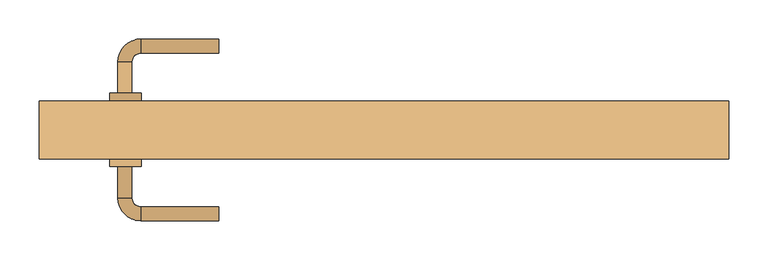
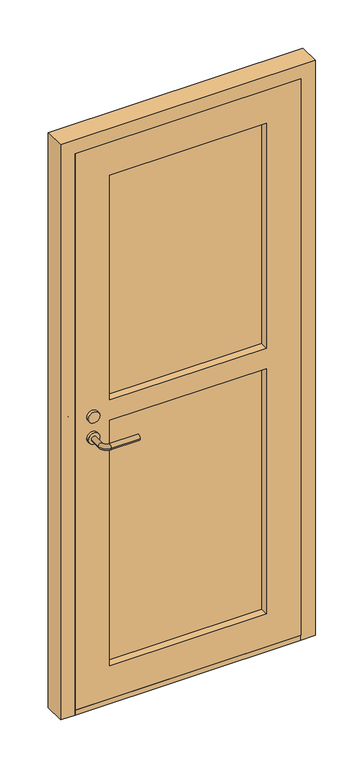
"""IFC4 building model written with IfcOpenShell, lengths in millimetres: door geometry."""

from ifc_helpers import new_model, si_unit, point, frame, frame_2d, origin, origin_with_axes, place, context, project, spatial, polyline, circle_curve, ellipse_curve, trimmed, segment, composite_curve, outline, extrude, source, transform, mapped, element, save
from ifc_brep_helpers import plane_surface, cylinder_surface, revolved_surface, advanced_brep


def door_2b3d7d31(model_context):
    return source(origin(), model_context, "Body", "SolidModel", [
        extrude(outline(composite_curve([segment(trimmed(circle_curve(frame_2d((1069.9136899, -329.67685)), 20.0), [point((1069.9136899, -349.67685))], [point((1069.9136899, -309.67685))], False, "CARTESIAN"), True, "CONTINUOUS"), segment(trimmed(circle_curve(frame_2d((1069.9136899, -329.67685)), 20.0), [point((1069.9136899, -309.67685))], [point((1069.9136899, -349.67685))], False, "CARTESIAN"), True, "CONTINUOUS")], self_intersect=False)), frame((0.0, -38.4, 0.0), z_axis=(0.0, 1.0, 0.0), x_axis=(0.0, 0.0, 1.0)), (0.0, 0.0, 1.0), 9.8708889),
        extrude(outline(composite_curve([segment(trimmed(circle_curve(frame_2d((992.4136899, -329.67685)), 20.0), [point((992.4136899, -349.67685))], [point((992.4136899, -309.67685))], False, "CARTESIAN"), True, "CONTINUOUS"), segment(trimmed(circle_curve(frame_2d((992.4136899, -329.67685)), 20.0), [point((992.4136899, -309.67685))], [point((992.4136899, -349.67685))], False, "CARTESIAN"), True, "CONTINUOUS")], self_intersect=False)), frame((0.0, -38.4, 0.0), z_axis=(0.0, 1.0, 0.0), x_axis=(0.0, 0.0, 1.0)), (0.0, 0.0, 1.0), 9.8708889),
        advanced_brep(
        [(-339.625, -38.4, 992.5), (-321.625, -38.4, 992.5), (-321.625, 11.6, 992.5), (-339.625, 11.6, 992.5), (-310.625, 22.6, 992.5), (-310.625, 40.6, 992.5), (-210.625, 40.6, 992.5), (-210.625, 22.6, 992.5)],
        [
            (0, 1, circle_curve(frame((-330.625, -38.4, 992.5), z_axis=(0.0, -1.0, 0.0), x_axis=(1.0, 0.0, 0.0)), 9.0)),
            (1, 0, circle_curve(frame((-330.625, -38.4, 992.5), z_axis=(0.0, -1.0, 0.0), x_axis=(1.0, 0.0, 0.0)), 9.0)),
            (1, 2),
            (2, 3, circle_curve(frame((-330.625, 11.6, 992.5), z_axis=(0.0, -1.0, 0.0), x_axis=(1.0, 0.0, 0.0)), 9.0)),
            (3, 0),
            (3, 2, circle_curve(frame((-330.625, 11.6, 992.5), z_axis=(0.0, -1.0, 0.0), x_axis=(1.0, 0.0, 0.0)), 9.0)),
            (4, 5, circle_curve(frame((-310.625, 31.6, 992.5), z_axis=(-1.0, 0.0, 0.0), x_axis=(0.0, -1.0, 0.0)), 9.0)),
            (5, 3, circle_curve(frame((-310.625, 11.6, 992.5), z_axis=(0.0, 0.0, 1.0), x_axis=(-1.0, 0.0, 0.0)), 29.0)),
            (2, 4, circle_curve(frame((-310.625, 11.6, 992.5), z_axis=(0.0, 0.0, -1.0), x_axis=(-1.0, 0.0, 0.0)), 11.0)),
            (5, 4, circle_curve(frame((-310.625, 31.6, 992.5), z_axis=(-1.0, 0.0, 0.0), x_axis=(0.0, -1.0, 0.0)), 9.0)),
            (6, 7, circle_curve(frame((-210.625, 31.6, 992.5), z_axis=(1.0, 0.0, 0.0), x_axis=(0.0, -1.0, 0.0)), 9.0)),
            (7, 6, circle_curve(frame((-210.625, 31.6, 992.5), z_axis=(1.0, 0.0, 0.0), x_axis=(0.0, -1.0, 0.0)), 9.0)),
            (4, 7),
            (6, 5),
        ],
        [
            plane_surface(frame((-330.625, -38.4, 857.5), z_axis=(0.0, -1.0, 0.0), x_axis=(0.0, 0.0, -1.0))),
            cylinder_surface(frame((-330.625, -38.4, 992.5), z_axis=(0.0, -1.0, 0.0), x_axis=(1.0, 0.0, 0.0)), 9.0),
            revolved_surface(trimmed(ellipse_curve(frame((-330.625, 11.6, 992.5), z_axis=(0.0, 1.0, 0.0), x_axis=(1.0, 0.0, 0.0)), 9.0, 9.0), [point((-339.625, 11.6, 992.5))], [point((-321.625, 11.6, 992.5))], True, "CARTESIAN"), (-310.625, 11.6, 857.5), (0.0, 0.0, 1.0)),
            revolved_surface(trimmed(ellipse_curve(frame((-330.625, 11.6, 992.5), z_axis=(0.0, 1.0, 0.0), x_axis=(1.0, 0.0, 0.0)), 9.0, 9.0), [point((-321.625, 11.6, 992.5))], [point((-339.625, 11.6, 992.5))], True, "CARTESIAN"), (-310.625, 11.6, 857.5), (0.0, 0.0, 1.0)),
            plane_surface(frame((-210.625, 31.6, 857.5), z_axis=(1.0, 0.0, 0.0), x_axis=(0.0, 0.0, -1.0))),
            cylinder_surface(frame((-310.625, 31.6, 992.5), z_axis=(-1.0, 0.0, 0.0), x_axis=(0.0, -1.0, 0.0)), 9.0),
        ],
        [
            (0, [[1, 2]]),
            (1, [[3, 4, 5, -2]]),
            (1, [[-5, 6, -3, -1]]),
            (2, [[7, 8, -4, 9]]),
            (3, [[10, -9, -6, -8]]),
            (4, [[11, 12]]),
            (5, [[13, -11, 14, -7]]),
            (5, [[-14, -12, -13, -10]]),
        ],
    ),
        extrude(outline(composite_curve([segment(trimmed(circle_curve(frame_2d((1069.9136899, -329.67685)), 20.0), [point((1069.9136899, -349.67685))], [point((1069.9136899, -309.67685))], False, "CARTESIAN"), True, "CONTINUOUS"), segment(trimmed(circle_curve(frame_2d((1069.9136899, -329.67685)), 20.0), [point((1069.9136899, -309.67685))], [point((1069.9136899, -349.67685))], False, "CARTESIAN"), True, "CONTINUOUS")], self_intersect=False)), frame((0.0, -122.2708889, 0.0), z_axis=(0.0, 1.0, 0.0), x_axis=(0.0, 0.0, 1.0)), (0.0, 0.0, 1.0), 9.8708889),
        extrude(outline(composite_curve([segment(trimmed(circle_curve(frame_2d((992.4136899, -329.67685)), 20.0), [point((992.4136899, -349.67685))], [point((992.4136899, -309.67685))], False, "CARTESIAN"), True, "CONTINUOUS"), segment(trimmed(circle_curve(frame_2d((992.4136899, -329.67685)), 20.0), [point((992.4136899, -309.67685))], [point((992.4136899, -349.67685))], False, "CARTESIAN"), True, "CONTINUOUS")], self_intersect=False)), frame((0.0, -122.2708889, 0.0), z_axis=(0.0, 1.0, 0.0), x_axis=(0.0, 0.0, 1.0)), (0.0, 0.0, 1.0), 9.8708889),
        advanced_brep(
        [(-339.625, -112.4, 992.5), (-321.625, -112.4, 992.5), (-339.625, -162.4, 992.5), (-321.625, -162.4, 992.5), (-310.625, -173.4, 992.5), (-310.625, -191.4, 992.5), (-210.625, -191.4, 992.5), (-210.625, -173.4, 992.5)],
        [
            (0, 1, circle_curve(frame((-330.625, -112.4, 992.5), z_axis=(0.0, 1.0, 0.0), x_axis=(1.0, 0.0, 0.0)), 9.0)),
            (1, 0, circle_curve(frame((-330.625, -112.4, 992.5), z_axis=(0.0, 1.0, 0.0), x_axis=(1.0, 0.0, 0.0)), 9.0)),
            (0, 2),
            (2, 3, circle_curve(frame((-330.625, -162.4, 992.5), z_axis=(0.0, 1.0, 0.0), x_axis=(1.0, 0.0, 0.0)), 9.0)),
            (3, 1),
            (3, 2, circle_curve(frame((-330.625, -162.4, 992.5), z_axis=(0.0, 1.0, 0.0), x_axis=(1.0, 0.0, 0.0)), 9.0)),
            (4, 3, circle_curve(frame((-310.625, -162.4, 992.5), z_axis=(0.0, 0.0, -1.0), x_axis=(-1.0, 0.0, 0.0)), 11.0)),
            (2, 5, circle_curve(frame((-310.625, -162.4, 992.5), z_axis=(0.0, 0.0, 1.0), x_axis=(-1.0, 0.0, 0.0)), 29.0)),
            (5, 4, circle_curve(frame((-310.625, -182.4, 992.5), z_axis=(-1.0, 0.0, 0.0), x_axis=(0.0, 1.0, 0.0)), 9.0)),
            (4, 5, circle_curve(frame((-310.625, -182.4, 992.5), z_axis=(-1.0, 0.0, 0.0), x_axis=(0.0, 1.0, 0.0)), 9.0)),
            (6, 7, circle_curve(frame((-210.625, -182.4, 992.5), z_axis=(1.0, 0.0, 0.0), x_axis=(0.0, 1.0, 0.0)), 9.0)),
            (7, 6, circle_curve(frame((-210.625, -182.4, 992.5), z_axis=(1.0, 0.0, 0.0), x_axis=(0.0, 1.0, 0.0)), 9.0)),
            (5, 6),
            (7, 4),
        ],
        [
            plane_surface(frame((-330.625, -112.4, 857.5), z_axis=(0.0, 1.0, 0.0), x_axis=(0.0, 0.0, -1.0))),
            cylinder_surface(frame((-330.625, -112.4, 992.5), z_axis=(0.0, 1.0, 0.0), x_axis=(1.0, 0.0, 0.0)), 9.0),
            revolved_surface(trimmed(ellipse_curve(frame((-330.625, -162.4, 992.5), z_axis=(0.0, 1.0, 0.0), x_axis=(1.0, 0.0, 0.0)), 9.0, 9.0), [point((-339.625, -162.4, 992.5))], [point((-321.625, -162.4, 992.5))], True, "CARTESIAN"), (-310.625, -162.4, 857.5), (0.0, 0.0, 1.0)),
            revolved_surface(trimmed(ellipse_curve(frame((-330.625, -162.4, 992.5), z_axis=(0.0, 1.0, 0.0), x_axis=(1.0, 0.0, 0.0)), 9.0, 9.0), [point((-321.625, -162.4, 992.5))], [point((-339.625, -162.4, 992.5))], True, "CARTESIAN"), (-310.625, -162.4, 857.5), (0.0, 0.0, 1.0)),
            plane_surface(frame((-210.625, -182.4, 857.5), z_axis=(1.0, 0.0, 0.0), x_axis=(0.0, 0.0, -1.0))),
            cylinder_surface(frame((-310.625, -182.4, 992.5), z_axis=(-1.0, 0.0, 0.0), x_axis=(0.0, 1.0, 0.0)), 9.0),
        ],
        [
            (0, [[1, 2]]),
            (1, [[-1, 3, 4, 5]]),
            (1, [[-2, -5, 6, -3]]),
            (2, [[7, -4, 8, 9]]),
            (3, [[-8, -6, -7, 10]]),
            (4, [[11, 12]]),
            (5, [[-9, 13, -12, 14]]),
            (5, [[-10, -14, -11, -13]]),
        ],
    ),
        extrude(outline(polyline([(2045.0, -390.0), (18.0, -390.0), (18.0, 390.0), (2045.0, 390.0), (2045.0, -390.0)]), holes=[polyline([(1925.0, 270.0), (1106.5, 270.0), (1106.5, -270.0), (1925.0, -270.0), (1925.0, 270.0)]), polyline([(1031.5, -270.0), (1031.5, 270.0), (138.0, 270.0), (138.0, -270.0), (1031.5, -270.0)])]), frame((0.0, -112.4, 0.0), z_axis=(0.0, 1.0, 0.0), x_axis=(0.0, 0.0, 1.0)), (0.0, 0.0, 1.0), 74.0),
        extrude(outline(polyline([(270.0, -85.4), (-270.0, -85.4), (-270.0, -65.4), (270.0, -65.4), (270.0, -85.4)])), frame((0.0, 0.0, 138.0), z_axis=(0.0, 0.0, 1.0), x_axis=(1.0, 0.0, 0.0)), (0.0, 0.0, 1.0), 1787.0),
        extrude(outline(polyline([(2095.0, 440.0), (2095.0, -440.0), (0.0, -440.0), (0.0, -390.0), (2045.0, -390.0), (2045.0, 390.0), (0.0, 390.0), (0.0, 440.0), (2095.0, 440.0)])), frame((0.0, -112.4, 0.0), z_axis=(0.0, 1.0, 0.0), x_axis=(0.0, 0.0, 1.0)), (0.0, 0.0, 1.0), 74.0),
        extrude(outline(polyline([(-390.0, -112.4), (-390.0, -38.4), (390.0, -38.4), (390.0, -112.4), (-390.0, -112.4)])), origin_with_axes(), (0.0, 0.0, 1.0), 18.0),
    ])


if __name__ == "__main__":
    model = new_model("IFC4")
    model_context = context("Model", 3, world=origin())
    ifc_project = project(units=[si_unit("LENGTHUNIT", "METRE", prefix="MILLI")], contexts=[model_context])
    site = spatial("IfcSite", under=ifc_project)
    building = spatial("IfcBuilding", under=site)
    placement = place(None, origin())
    door_shape = door_2b3d7d31(model_context)
    element("IfcDoor", 1, at=placement, inside=building, context=model_context, shape_type="MappedRepresentation", body=[
        mapped(door_shape, transform((0.0, 0.0, 0.0), x_axis=(1.0, 0.0, 0.0), y_axis=(0.0, 1.0, 0.0), z_axis=(0.0, 0.0, 1.0))),
    ])
    save(model, "model.ifc")
